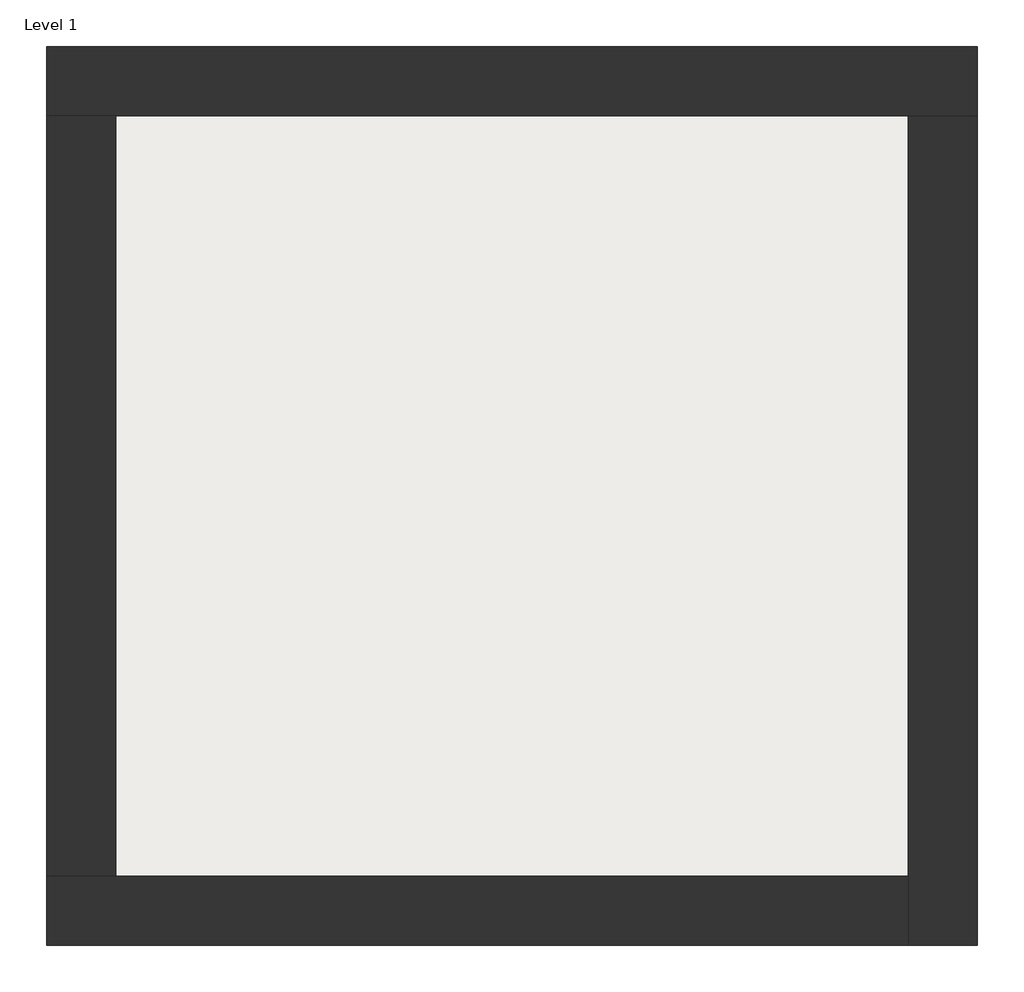
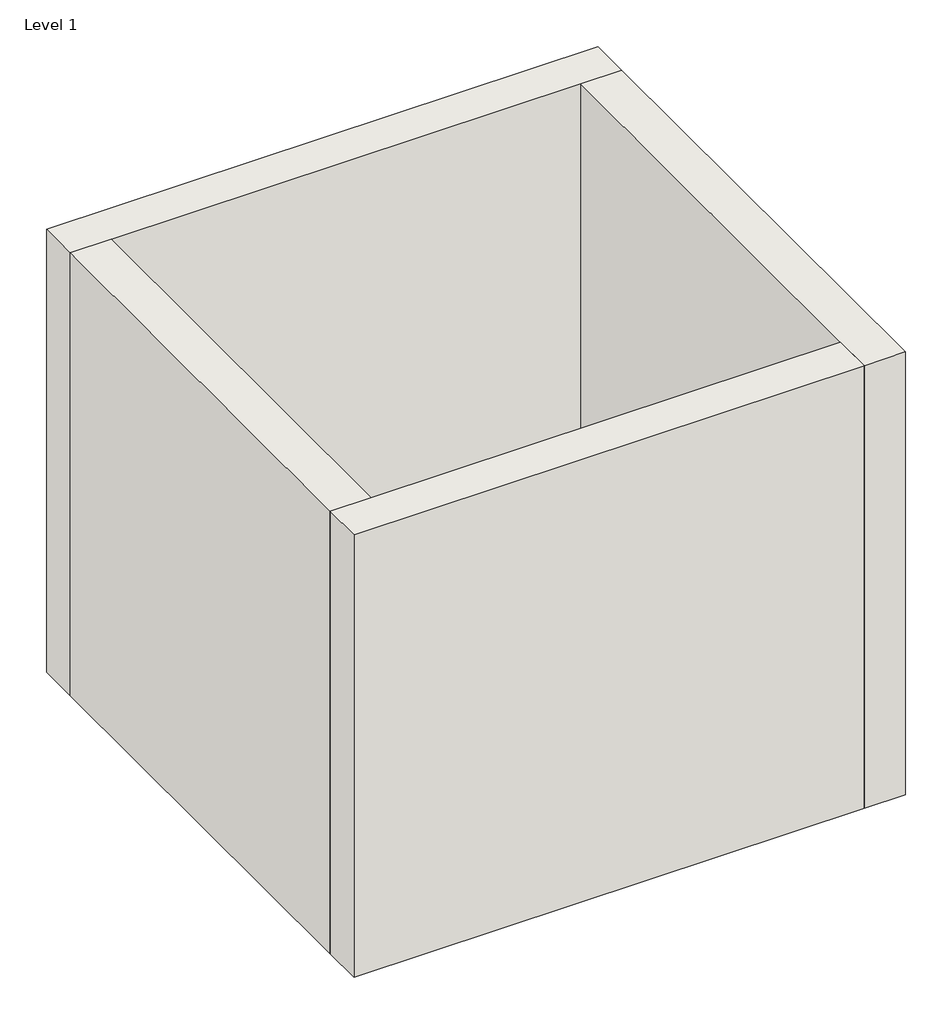
# One storey: 4 walls, 1 slab.
"""IFC4 building model written with IfcOpenShell, lengths in millimetres."""

from ifc_helpers import new_model, si_unit, frame, origin, origin_with_axes, place, context, project, spatial, polyline, outline, extrude, faceted_brep, element, save

model = new_model("IFC4")

# Units and contexts
model_context = context("Model", 3, world=origin())
ifc_project = project(units=[si_unit("LENGTHUNIT", "METRE", prefix="MILLI")], contexts=[model_context])

# Site, building, storey
site = spatial("IfcSite", under=ifc_project)
building = spatial("IfcBuilding", under=site)
storey = spatial("IfcBuildingStorey", under=building, Name="Level 1", Elevation=0.0)

# Slab
placement = place(None, origin())
element("IfcSlab", 1, at=placement, inside=storey, context=model_context, shape_type="SweptSolid", body=[
    extrude(outline(polyline([(-10869.3573003, 6934.2750283), (-10869.3573003, 3058.2750283), (-14907.8573003, 3058.2750283), (-14907.8573003, 6934.2750283), (-10869.3573003, 6934.2750283)])), frame((0.0, 0.0, 27.8), z_axis=(0.0, 0.0, 1.0), x_axis=(1.0, 0.0, 0.0)), (0.0, 0.0, 1.0), 92.2),
])

# Walls
element("IfcWall", 2, ObjectType="Exterior - Brick on Mtl. Stud", at=placement, inside=storey, context=model_context, shape_type="Brep", body=[
    faceted_brep([(-15244.8573003, 6921.2750283, 0.0), (-14894.8573003, 6921.2750283, 0.0), (-10882.3573003, 6921.2750283, 0.0), (-10532.3573003, 6921.2750283, 0.0), (-10532.3573003, 6921.2750283, 4000.0), (-10882.3573003, 6921.2750283, 4000.0), (-14894.8573003, 6921.2750283, 4000.0), (-15244.8573003, 6921.2750283, 4000.0), (-15244.8573003, 7271.2750283, 0.0), (-15244.8573003, 7271.2750283, 4000.0), (-10532.3573003, 7271.2750283, 4000.0), (-10532.3573003, 7271.2750283, 0.0)], [[[0, 1, 2, 3, 4, 5, 6, 7]], [[8, 9, 10, 11]], [[3, 2, 1, 0, 8, 11]], [[7, 6, 5, 4, 10, 9]], [[0, 7, 9, 8]], [[4, 3, 11, 10]]]),
])
element("IfcWall", 3, ObjectType="Exterior - Brick on Mtl. Stud", at=placement, inside=storey, context=model_context, shape_type="Brep", body=[
    faceted_brep([(-10882.3573003, 6921.2750283, 0.0), (-10882.3573003, 3071.2750283, 0.0), (-10882.3573003, 2721.2750283, 0.0), (-10882.3573003, 2721.2750283, 4000.0), (-10882.3573003, 3071.2750283, 4000.0), (-10882.3573003, 6921.2750283, 4000.0), (-10532.3573003, 6921.2750283, 0.0), (-10532.3573003, 6921.2750283, 4000.0), (-10532.3573003, 2721.2750283, 4000.0), (-10532.3573003, 2721.2750283, 0.0)], [[[0, 1, 2, 3, 4, 5]], [[6, 7, 8, 9]], [[2, 1, 0, 6, 9]], [[5, 4, 3, 8, 7]], [[3, 2, 9, 8]], [[0, 5, 7, 6]]]),
])
element("IfcWall", 4, ObjectType="Exterior - Brick on Mtl. Stud", at=placement, inside=storey, context=model_context, shape_type="Brep", body=[
    faceted_brep([(-10882.3573003, 3071.2750283, 0.0), (-14894.8573003, 3071.2750283, 0.0), (-15244.8573003, 3071.2750283, 0.0), (-15244.8573003, 3071.2750283, 4000.0), (-14894.8573003, 3071.2750283, 4000.0), (-10882.3573003, 3071.2750283, 4000.0), (-10882.3573003, 2721.2750283, 0.0), (-10882.3573003, 2721.2750283, 4000.0), (-15244.8573003, 2721.2750283, 4000.0), (-15244.8573003, 2721.2750283, 0.0)], [[[0, 1, 2, 3, 4, 5]], [[6, 7, 8, 9]], [[2, 1, 0, 6, 9]], [[5, 4, 3, 8, 7]], [[3, 2, 9, 8]], [[0, 5, 7, 6]]]),
])
element("IfcWall", 5, ObjectType="Exterior - Brick on Mtl. Stud", at=placement, inside=storey, context=model_context, shape_type="SweptSolid", body=[
    extrude(outline(polyline([(-14894.8573003, 6921.2750283), (-14894.8573003, 3071.2750283), (-15244.8573003, 3071.2750283), (-15244.8573003, 6921.2750283), (-14894.8573003, 6921.2750283)])), origin_with_axes(), (0.0, 0.0, 1.0), 4000.0),
])

save(model, "model.ifc")
